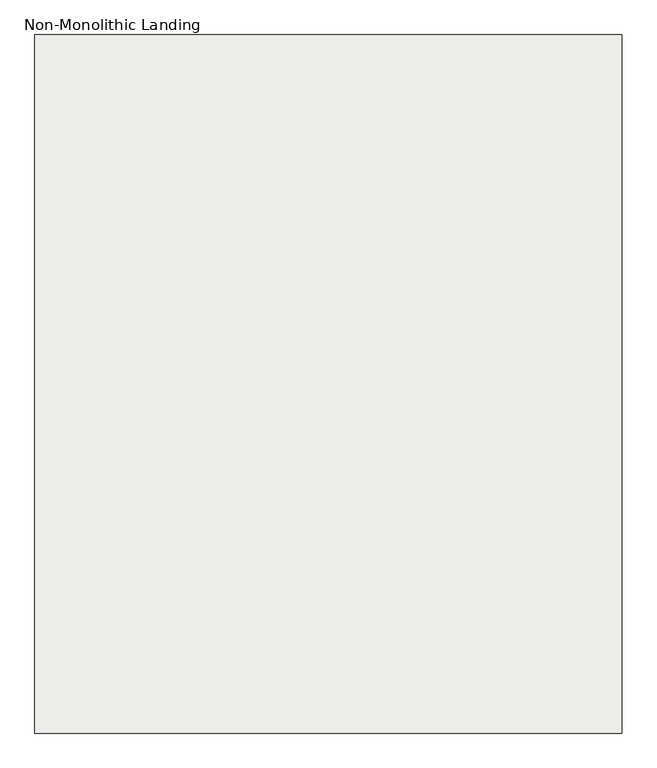
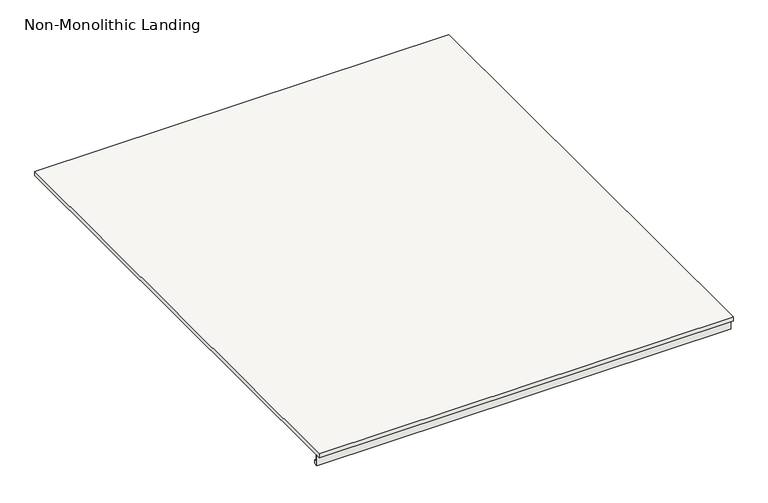
"""IFC4 building model written with IfcOpenShell, lengths in millimetres: slab geometry, Non-Monolithic Landing."""

from ifc_helpers import new_model, si_unit, frame, origin, place, context, project, spatial, polyline, outline, extrude, source, transform, mapped, element, save


def non_monolithic_landing_a82138f5(model_context):
    return source(origin(), model_context, "Body", "SweptSolid", [
        extrude(outline(polyline([(-838.9832568, 5638.0), (-838.9832568, 5628.0), (-2015.6889024, 5628.0), (-2015.6889024, 5611.3650264), (-2009.7889347, 5611.3780294), (-2009.7889347, 5602.1193807), (-2018.9832568, 5602.1193807), (-2018.9832568, 5628.0), (-2028.9832568, 5628.0), (-2028.9832568, 5638.0), (-838.9832568, 5638.0)])), frame((-8622.7515248, 0.0, 0.0), z_axis=(1.0, 0.0, 0.0), x_axis=(0.0, 1.0, 0.0)), (0.0, 0.0, 1.0), 1000.0),
    ])


if __name__ == "__main__":
    model = new_model("IFC4")
    model_context = context("Model", 3, world=origin())
    ifc_project = project(units=[si_unit("LENGTHUNIT", "METRE", prefix="MILLI")], contexts=[model_context])
    site = spatial("IfcSite", under=ifc_project)
    building = spatial("IfcBuilding", under=site)
    placement = place(None, origin())
    non_monolithic_landing_shape = non_monolithic_landing_a82138f5(model_context)
    element("IfcSlab", 1, ObjectType="Non-Monolithic Landing", at=placement, inside=building, context=model_context, shape_type="MappedRepresentation", body=[
        mapped(non_monolithic_landing_shape, transform((0.0, 0.0, 0.0), x_axis=(1.0, 0.0, 0.0), y_axis=(0.0, 1.0, 0.0), z_axis=(0.0, 0.0, 1.0))),
    ])
    save(model, "model.ifc")
